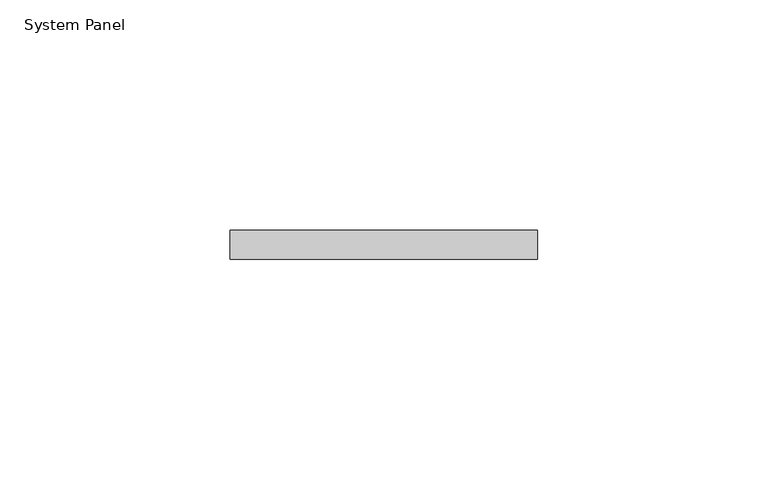
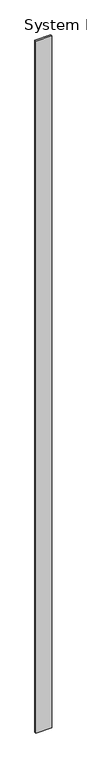
"""IFC4 building model written with IfcOpenShell, lengths in millimetres: plate geometry, System Panel."""

from ifc_helpers import new_model, si_unit, origin, origin_with_axes, place, context, project, spatial, polyline, outline, extrude, source, transform, mapped, element, save


def system_panel_818dd0e5(model_context):
    return source(origin(), model_context, "Body", "SweptSolid", [
        extrude(outline(polyline([(33.4429211, -6.35), (-33.4429211, -6.35), (-33.4429211, 0.0), (33.4429211, 0.0), (33.4429211, -6.35)])), origin_with_axes(), (0.0, 0.0, 1.0), 3048.0),
    ])


if __name__ == "__main__":
    model = new_model("IFC4")
    model_context = context("Model", 3, world=origin())
    ifc_project = project(units=[si_unit("LENGTHUNIT", "METRE", prefix="MILLI")], contexts=[model_context])
    site = spatial("IfcSite", under=ifc_project)
    building = spatial("IfcBuilding", under=site)
    placement = place(None, origin())
    system_panel_shape = system_panel_818dd0e5(model_context)
    element("IfcPlate", 1, ObjectType="System Panel", at=placement, inside=building, context=model_context, shape_type="MappedRepresentation", body=[
        mapped(system_panel_shape, transform((0.0, 0.0, 0.0), x_axis=(1.0, 0.0, 0.0), y_axis=(0.0, 1.0, 0.0), z_axis=(0.0, 0.0, 1.0))),
    ])
    save(model, "model.ifc")
